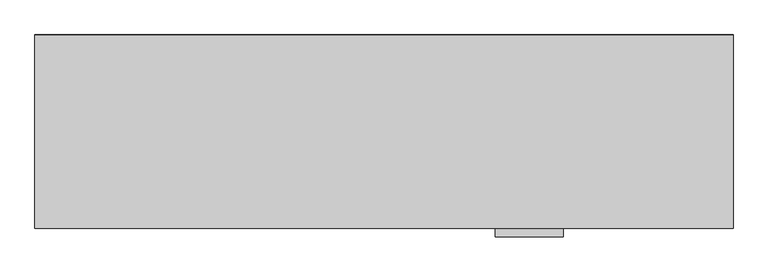
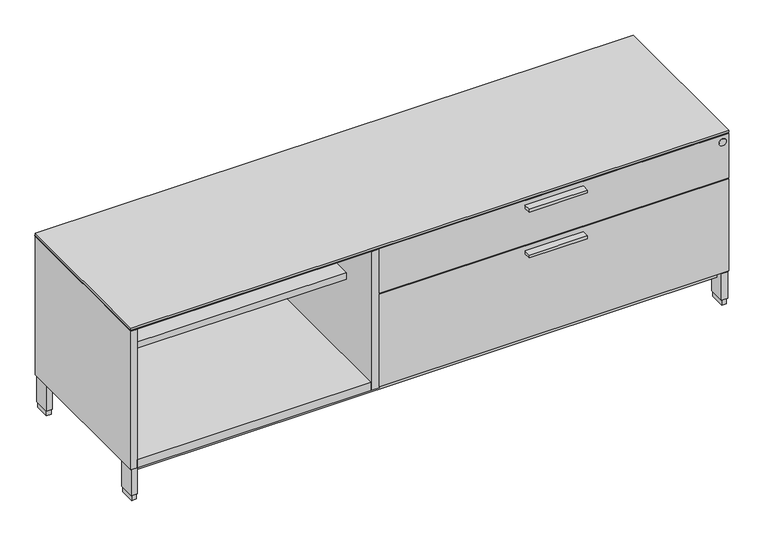
"""IFC4 building model written with IfcOpenShell, lengths in millimetres: furniture geometry."""

import ifcopenshell
import ifcopenshell.guid

model = None  # the IFC model being written
_history = None  # IfcOwnerHistory: only IFC2X3 demands one
_inside = {}  # id of a spatial element -> (the spatial element, [elements in it])
_under = {}  # id of a project, library or spatial element -> (it, [spatial elements below it])
_declared = {}  # id of a project -> (the project, [libraries it declares])
_typed = {}  # id of a type object -> (the type object, [elements of that type])
_made_of = {}  # id of a material, layer set ... -> (it, [elements and type objects made of it])


def new_model(schema):
    """Start an empty IFC model of exactly this schema.

    Asked for "IFC4X3", IfcOpenShell would pick the latest addendum, in which some entities
    have other attributes; the version numbers below select the first issue.
    IFC2X3 requires an IfcOwnerHistory on every rooted entity: one is made here for all.
    """
    global model, _history
    if schema == "IFC4X3":
        model = ifcopenshell.file(schema_version=(4, 3, 0, 0))
    else:
        model = ifcopenshell.file(schema=schema)
    _inside.clear()
    _under.clear()
    _declared.clear()
    _typed.clear()
    _made_of.clear()
    _history = None
    if model.schema == "IFC2X3":
        org = make("IfcOrganization", Name="unknown")
        user = make(
            "IfcPersonAndOrganization",
            ThePerson=make("IfcPerson", FamilyName="unknown"),
            TheOrganization=org,
        )
        app = make(
            "IfcApplication",
            ApplicationDeveloper=org,
            Version="unknown",
            ApplicationFullName="unknown",
            ApplicationIdentifier="unknown",
        )
        _history = make(
            "IfcOwnerHistory",
            OwningUser=user,
            OwningApplication=app,
            ChangeAction="ADDED",
            CreationDate=0,
        )
    return model


def make(cls, **values):
    """One entity of the class cls with the attributes given. An attribute that is None is left unset."""
    return model.create_entity(
        cls, **{name: value for name, value in values.items() if value is not None}
    )


def rooted(cls, **values):
    """An entity with a GlobalId (a new one), such as an element, a storey or a relation."""
    return make(cls, GlobalId=ifcopenshell.guid.new(), OwnerHistory=_history, **values)


def si_unit(unit_type, name, prefix=None):
    """IfcSIUnit, for example si_unit("LENGTHUNIT", "METRE", prefix="MILLI")."""
    return make("IfcSIUnit", UnitType=unit_type, Prefix=prefix, Name=name)


def assignment(units):
    """IfcUnitAssignment: the units of a project."""
    return None if units is None else make("IfcUnitAssignment", Units=units)


def point(xyz):
    """IfcCartesianPoint."""
    return None if xyz is None else make("IfcCartesianPoint", Coordinates=xyz)


def direction(xyz):
    """IfcDirection."""
    return None if xyz is None else make("IfcDirection", DirectionRatios=xyz)


def frame(location, z_axis=None, x_axis=None):
    """IfcAxis2Placement3D, a coordinate frame: its origin and axes. An axis left out is left unset."""
    return make(
        "IfcAxis2Placement3D",
        Location=point(location),
        Axis=direction(z_axis),
        RefDirection=direction(x_axis),
    )


def frame_2d(location, x_axis=None):
    """IfcAxis2Placement2D, a coordinate frame in the plane: its origin and x axis."""
    return make(
        "IfcAxis2Placement2D", Location=point(location), RefDirection=direction(x_axis)
    )


def origin():
    """The frame at (0, 0, 0) with its axes left unset."""
    return frame((0.0, 0.0, 0.0))


def origin_with_axes():
    """The frame at (0, 0, 0) with the z axis (0, 0, 1) and the x axis (1, 0, 0) written out."""
    return frame((0.0, 0.0, 0.0), z_axis=(0.0, 0.0, 1.0), x_axis=(1.0, 0.0, 0.0))


def place(relative_to, where):
    """IfcLocalPlacement: puts the frame where relative to a parent placement (None: the world)."""
    return make(
        "IfcLocalPlacement", PlacementRelTo=relative_to, RelativePlacement=where
    )


def context(
    kind, dimensions, precision=None, world=None, true_north=None, identifier=None
):
    """IfcGeometricRepresentationContext, for example the 3D "Model" context."""
    return make(
        "IfcGeometricRepresentationContext",
        ContextIdentifier=identifier,
        ContextType=kind,
        CoordinateSpaceDimension=dimensions,
        Precision=precision,
        WorldCoordinateSystem=world,
        TrueNorth=true_north,
    )


def project(units=None, contexts=None):
    """IfcProject with its units and contexts."""
    return rooted(
        "IfcProject",
        Name="project",
        RepresentationContexts=contexts,
        UnitsInContext=assignment(units),
    )


def spatial(cls, under=None, at=None, **own):
    """A site, building, storey or space (cls), placed at a placement, below another one or the project."""
    s = rooted(cls, ObjectPlacement=at, **own)
    if under is not None:
        _under.setdefault(under.id(), (under, []))[1].append(s)
    return s


def polyline(points):
    """IfcPolyline through the points."""
    return make("IfcPolyline", Points=[point(p) for p in points])


def circle_curve(where, radius):
    """IfcCircle in the frame where."""
    return make("IfcCircle", Position=where, Radius=radius)


def trimmed(basis, trim1, trim2, sense, master):
    """IfcTrimmedCurve: the piece of a basis curve between two trims."""
    return make(
        "IfcTrimmedCurve",
        BasisCurve=basis,
        Trim1=trim1,
        Trim2=trim2,
        SenseAgreement=sense,
        MasterRepresentation=master,
    )


def segment(curve, same_sense, transition):
    """IfcCompositeCurveSegment."""
    return make(
        "IfcCompositeCurveSegment",
        Transition=transition,
        SameSense=same_sense,
        ParentCurve=curve,
    )


def composite_curve(segments, self_intersect=None):
    """IfcCompositeCurve: segments joined end to end."""
    return make("IfcCompositeCurve", Segments=segments, SelfIntersect=self_intersect)


def outline(outer, holes=None, kind="AREA"):
    """IfcArbitraryClosedProfileDef: a profile drawn as a closed curve; with holes, ...WithVoids."""
    if holes is None:
        return make("IfcArbitraryClosedProfileDef", ProfileType=kind, OuterCurve=outer)
    return make(
        "IfcArbitraryProfileDefWithVoids",
        ProfileType=kind,
        OuterCurve=outer,
        InnerCurves=holes,
    )


def extrude(swept, where, along, depth):
    """IfcExtrudedAreaSolid: the profile swept, set in the frame where, extruded along a direction by depth."""
    return make(
        "IfcExtrudedAreaSolid",
        SweptArea=swept,
        Position=where,
        ExtrudedDirection=direction(along),
        Depth=depth,
    )


def shape(context_of_items, identifier, shape_type, items):
    """IfcShapeRepresentation: the items that make up one representation, for example the "Body"."""
    return make(
        "IfcShapeRepresentation",
        ContextOfItems=context_of_items,
        RepresentationIdentifier=identifier,
        RepresentationType=shape_type,
        Items=items,
    )


def source(mapping_origin, context_of_items, identifier, shape_type, items):
    """IfcRepresentationMap: a shape defined once, which mapped items show again and again."""
    return make(
        "IfcRepresentationMap",
        MappingOrigin=mapping_origin,
        MappedRepresentation=shape(context_of_items, identifier, shape_type, items),
    )


def transform(
    local_origin,
    x_axis=None,
    y_axis=None,
    z_axis=None,
    scale=None,
    scale2=None,
    scale3=None,
    uniform=True,
):
    """IfcCartesianTransformationOperator3D, or its non-uniform kind. x_axis, y_axis, z_axis: its Axis1, 2, 3."""
    if uniform:
        return make(
            "IfcCartesianTransformationOperator3D",
            Axis1=direction(x_axis),
            Axis2=direction(y_axis),
            LocalOrigin=point(local_origin),
            Scale=scale,
            Axis3=direction(z_axis),
        )
    return make(
        "IfcCartesianTransformationOperator3DnonUniform",
        Axis1=direction(x_axis),
        Axis2=direction(y_axis),
        LocalOrigin=point(local_origin),
        Scale=scale,
        Axis3=direction(z_axis),
        Scale2=scale2,
        Scale3=scale3,
    )


def mapped(mapping_source, mapping_target):
    """IfcMappedItem: shows the shape of a source again, moved by a transform."""
    return make(
        "IfcMappedItem", MappingSource=mapping_source, MappingTarget=mapping_target
    )


def made_of(thing, what):
    """Note that an element or type object is made of a material, layer set ...; save() writes the relation."""
    if what is not None:
        _made_of.setdefault(what.id(), (what, []))[1].append(thing)
    return thing


def element(
    cls,
    number,
    at=None,
    inside=None,
    cuts=None,
    type_object=None,
    material=None,
    context=None,
    identifier="Body",
    shape_type=None,
    held_by="IfcProductDefinitionShape",
    body=None,
    shapes=None,
    **own,
):
    """One element of the class cls, such as IfcWall. Its Tag is "e" and its number.

    at: its placement. inside: the storey or other place that contains it. cuts: it is an
    opening in that element (IfcRelVoidsElement). A single representation is given by context,
    identifier, shape_type and body (its items); several are given by shapes. held_by: the class
    of the entity that holds the representations. save() writes the other relations.
    """
    e = rooted(cls, Tag="e%d" % number, ObjectPlacement=at, **own)
    if body is not None:
        shapes = [shape(context, identifier, shape_type, body)]
    if shapes is not None:
        e.Representation = make(held_by, Representations=shapes)
    if inside is not None:
        _inside.setdefault(inside.id(), (inside, []))[1].append(e)
    if cuts is not None:
        rooted(
            "IfcRelVoidsElement", RelatingBuildingElement=cuts, RelatedOpeningElement=e
        )
    if type_object is not None:
        _typed.setdefault(type_object.id(), (type_object, []))[1].append(e)
    return made_of(e, material)


def aggregate(whole, parts):
    """IfcRelAggregates: a whole, such as a stair, and the parts it consists of."""
    return rooted("IfcRelAggregates", RelatingObject=whole, RelatedObjects=parts)


def save(model, path):
    """Write the relations noted so far, then the file.

    IfcRelAggregates (storeys below a building ...), IfcRelContainedInSpatialStructure (elements
    in a storey), IfcRelDefinesByType, IfcRelAssociatesMaterial and IfcRelDeclares: one each for
    every whole, place, type object, material and project.
    """
    for whole, parts in _under.values():
        aggregate(whole, parts)
    for where, things in _inside.values():
        rooted(
            "IfcRelContainedInSpatialStructure",
            RelatedElements=things,
            RelatingStructure=where,
        )
    for kind, things in _typed.values():
        rooted("IfcRelDefinesByType", RelatedObjects=things, RelatingType=kind)
    for what, things in _made_of.values():
        rooted("IfcRelAssociatesMaterial", RelatedObjects=things, RelatingMaterial=what)
    for by, libraries in _declared.values():
        rooted("IfcRelDeclares", RelatingContext=by, RelatedDefinitions=libraries)
    model.write(path)


def furniture_5af769bd(model_context):
    return source(origin(), model_context, "Body", "SweptSolid", [
        extrude(outline(polyline([(1382.7125, -528.574), (1204.9125, -528.574), (1204.9125, -506.349), (1382.7125, -506.349), (1382.7125, -528.574)])), frame((0.0, 0.0, 379.09246), z_axis=(0.0, 0.0, 1.0), x_axis=(1.0, 0.0, 0.0)), (0.0, 0.0, 1.0), 9.525),
        extrude(outline(polyline([(1382.7125, -528.574), (1204.9125, -528.574), (1204.9125, -506.349), (1382.7125, -506.349), (1382.7125, -528.574)])), frame((0.0, 0.0, 526.53946), z_axis=(0.0, 0.0, 1.0), x_axis=(1.0, 0.0, 0.0)), (0.0, 0.0, 1.0), 9.525),
        extrude(outline(polyline([(21.2979, -5.715), (21.2979, -52.197), (6.5659, -52.197), (6.5659, -5.715), (21.2979, -5.715)])), origin_with_axes(), (0.0, 0.0, 1.0), 17.399),
        extrude(outline(polyline([(21.2979, -455.676), (21.2979, -502.158), (6.5659, -502.158), (6.5659, -455.676), (21.2979, -455.676)])), origin_with_axes(), (0.0, 0.0, 1.0), 17.399),
        extrude(outline(polyline([(1822.2341, -455.676), (1822.2341, -502.158), (1807.5021, -502.158), (1807.5021, -455.676), (1822.2341, -455.676)])), origin_with_axes(), (0.0, 0.0, 1.0), 17.399),
        extrude(outline(polyline([(1822.2341, -5.715), (1822.2341, -52.197), (1807.5021, -52.197), (1807.5021, -5.715), (1822.2341, -5.715)])), origin_with_axes(), (0.0, 0.0, 1.0), 17.399),
        extrude(outline(polyline([(23.4569, -3.556), (23.4569, -54.356), (4.4069, -54.356), (4.4069, -3.556), (23.4569, -3.556)])), frame((0.0, 0.0, 17.399), z_axis=(0.0, 0.0, 1.0), x_axis=(1.0, 0.0, 0.0)), (0.0, 0.0, 1.0), 85.8012),
        extrude(outline(polyline([(1824.3931, -3.556), (1824.3931, -54.356), (1805.3431, -54.356), (1805.3431, -3.556), (1824.3931, -3.556)])), frame((0.0, 0.0, 17.399), z_axis=(0.0, 0.0, 1.0), x_axis=(1.0, 0.0, 0.0)), (0.0, 0.0, 1.0), 85.8012),
        extrude(outline(polyline([(1824.3931, -453.517), (1824.3931, -504.317), (1805.3431, -504.317), (1805.3431, -453.517), (1824.3931, -453.517)])), frame((0.0, 0.0, 17.399), z_axis=(0.0, 0.0, 1.0), x_axis=(1.0, 0.0, 0.0)), (0.0, 0.0, 1.0), 85.8012),
        extrude(outline(polyline([(23.4569, -453.517), (23.4569, -504.317), (4.4069, -504.317), (4.4069, -453.517), (23.4569, -453.517)])), frame((0.0, 0.0, 17.399), z_axis=(0.0, 0.0, 1.0), x_axis=(1.0, 0.0, 0.0)), (0.0, 0.0, 1.0), 85.8012),
        extrude(outline(polyline([(1805.3431, -26.99766), (1805.3431, -480.87534), (23.4569, -480.87534), (23.4569, -26.99766), (1805.3431, -26.99766)])), frame((0.0, 0.0, 77.8002), z_axis=(0.0, 0.0, 1.0), x_axis=(1.0, 0.0, 0.0)), (0.0, 0.0, 1.0), 25.4),
        extrude(outline(polyline([(1827.2125, -487.172), (1827.2125, -506.349), (760.4125, -506.349), (760.4125, -487.172), (1827.2125, -487.172)])), frame((0.0, 0.0, 106.3752), z_axis=(0.0, 0.0, 1.0), x_axis=(1.0, 0.0, 0.0)), (0.0, 0.0, 1.0), 297.053),
        extrude(outline(polyline([(1827.2125, -487.172), (1827.2125, -506.349), (760.4125, -506.349), (760.4125, -487.172), (1827.2125, -487.172)])), frame((0.0, 0.0, 406.6032), z_axis=(0.0, 0.0, 1.0), x_axis=(1.0, 0.0, 0.0)), (0.0, 0.0, 1.0), 144.272),
        extrude(outline(polyline([(1827.2125, -506.349), (1.5875, -506.349), (1.5875, -1.524), (1827.2125, -1.524), (1827.2125, -506.349)])), frame((0.0, 0.0, 554.0502), z_axis=(0.0, 0.0, 1.0), x_axis=(1.0, 0.0, 0.0)), (0.0, 0.0, 1.0), 6.35),
        extrude(outline(polyline([(1.5875, -1.524), (1827.2125, -1.524), (1827.2125, -483.2858), (1807.7815, -483.2858), (1807.7815, -20.828), (21.0185, -20.828), (21.0185, -506.349), (1.5875, -506.349), (1.5875, -1.524)])), frame((0.0, 0.0, 103.2002), z_axis=(0.0, 0.0, 1.0), x_axis=(1.0, 0.0, 0.0)), (0.0, 0.0, 1.0), 447.675),
        extrude(outline(polyline([(21.0185, -20.828), (735.0125, -20.828), (735.0125, -375.8184), (21.0185, -375.8184), (21.0185, -20.828)])), frame((0.0, 0.0, 383.0828), z_axis=(0.0, 0.0, 1.0), x_axis=(1.0, 0.0, 0.0)), (0.0, 0.0, 1.0), 20.3454),
        extrude(outline(polyline([(21.0185, -20.828), (735.0125, -20.828), (735.0125, -506.349), (21.0185, -506.349), (21.0185, -20.828)])), frame((0.0, 0.0, 103.2002), z_axis=(0.0, 0.0, 1.0), x_axis=(1.0, 0.0, 0.0)), (0.0, 0.0, 1.0), 25.4),
        extrude(outline(polyline([(1.5875, 0.0), (1827.2125, 0.0), (1827.2125, -487.172), (760.4125, -487.172), (760.4125, -506.349), (1.5875, -506.349), (1.5875, 0.0)])), frame((0.0, 0.0, 550.8752), z_axis=(0.0, 0.0, 1.0), x_axis=(1.0, 0.0, 0.0)), (0.0, 0.0, 1.0), 1.5875),
        extrude(outline(polyline([(735.0125, -20.828), (760.4125, -20.828), (760.4125, -506.349), (735.0125, -506.349), (735.0125, -20.828)])), frame((0.0, 0.0, 103.2002), z_axis=(0.0, 0.0, 1.0), x_axis=(1.0, 0.0, 0.0)), (0.0, 0.0, 1.0), 447.675),
        extrude(outline(composite_curve([segment(trimmed(circle_curve(frame_2d((528.3708, 1808.1625)), 11.176), [point((528.3708, 1819.3385))], [point((528.3708, 1796.9865))], False, "CARTESIAN"), True, "CONTINUOUS"), segment(trimmed(circle_curve(frame_2d((528.3708, 1808.1625)), 11.176), [point((528.3708, 1796.9865))], [point((528.3708, 1819.3385))], False, "CARTESIAN"), True, "CONTINUOUS")], self_intersect=False)), frame((0.0, -506.9614948, 0.0), z_axis=(0.0, 1.0, 0.0), x_axis=(0.0, 0.0, 1.0)), (0.0, 0.0, 1.0), 5.0524148),
    ])


if __name__ == "__main__":
    model = new_model("IFC4")
    model_context = context("Model", 3, world=origin())
    ifc_project = project(units=[si_unit("LENGTHUNIT", "METRE", prefix="MILLI")], contexts=[model_context])
    site = spatial("IfcSite", under=ifc_project)
    building = spatial("IfcBuilding", under=site)
    placement = place(None, origin())
    furniture_shape = furniture_5af769bd(model_context)
    element("IfcFurniture", 1, at=placement, inside=building, context=model_context, shape_type="MappedRepresentation", body=[
        mapped(furniture_shape, transform((0.0, 0.0, 0.0), x_axis=(1.0, 0.0, 0.0), y_axis=(0.0, 1.0, 0.0), z_axis=(0.0, 0.0, 1.0))),
    ])
    save(model, "model.ifc")
